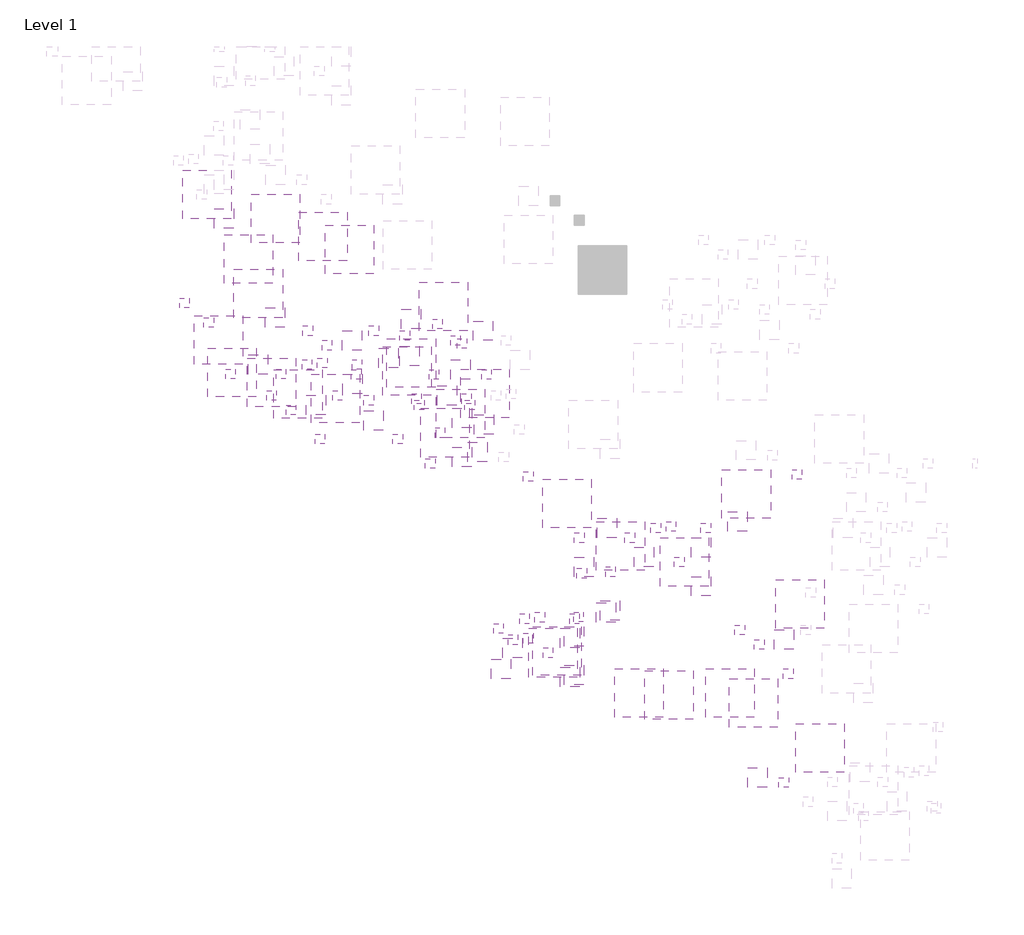
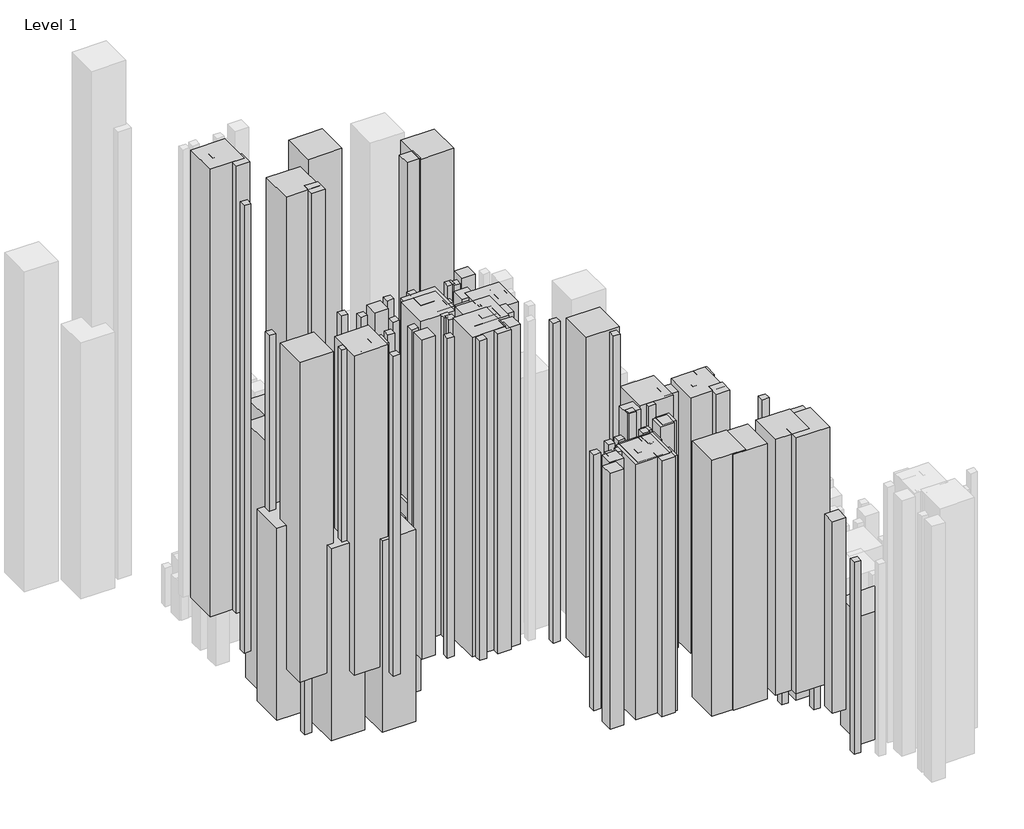
# One storey, part 13 of 16: 113 proxies.
"""IFC4 building model written with IfcOpenShell, lengths in millimetres."""

import ifcopenshell
import ifcopenshell.guid

model = None  # the IFC model being written
_history = None  # IfcOwnerHistory: only IFC2X3 demands one
_inside = {}  # id of a spatial element -> (the spatial element, [elements in it])
_under = {}  # id of a project, library or spatial element -> (it, [spatial elements below it])
_declared = {}  # id of a project -> (the project, [libraries it declares])
_typed = {}  # id of a type object -> (the type object, [elements of that type])
_made_of = {}  # id of a material, layer set ... -> (it, [elements and type objects made of it])


def new_model(schema):
    """Start an empty IFC model of exactly this schema.

    Asked for "IFC4X3", IfcOpenShell would pick the latest addendum, in which some entities
    have other attributes; the version numbers below select the first issue.
    IFC2X3 requires an IfcOwnerHistory on every rooted entity: one is made here for all.
    """
    global model, _history
    if schema == "IFC4X3":
        model = ifcopenshell.file(schema_version=(4, 3, 0, 0))
    else:
        model = ifcopenshell.file(schema=schema)
    _inside.clear()
    _under.clear()
    _declared.clear()
    _typed.clear()
    _made_of.clear()
    _history = None
    if model.schema == "IFC2X3":
        org = make("IfcOrganization", Name="unknown")
        user = make(
            "IfcPersonAndOrganization",
            ThePerson=make("IfcPerson", FamilyName="unknown"),
            TheOrganization=org,
        )
        app = make(
            "IfcApplication",
            ApplicationDeveloper=org,
            Version="unknown",
            ApplicationFullName="unknown",
            ApplicationIdentifier="unknown",
        )
        _history = make(
            "IfcOwnerHistory",
            OwningUser=user,
            OwningApplication=app,
            ChangeAction="ADDED",
            CreationDate=0,
        )
    return model


def make(cls, **values):
    """One entity of the class cls with the attributes given. An attribute that is None is left unset."""
    return model.create_entity(
        cls, **{name: value for name, value in values.items() if value is not None}
    )


def rooted(cls, **values):
    """An entity with a GlobalId (a new one), such as an element, a storey or a relation."""
    return make(cls, GlobalId=ifcopenshell.guid.new(), OwnerHistory=_history, **values)


def si_unit(unit_type, name, prefix=None):
    """IfcSIUnit, for example si_unit("LENGTHUNIT", "METRE", prefix="MILLI")."""
    return make("IfcSIUnit", UnitType=unit_type, Prefix=prefix, Name=name)


def assignment(units):
    """IfcUnitAssignment: the units of a project."""
    return None if units is None else make("IfcUnitAssignment", Units=units)


def point(xyz):
    """IfcCartesianPoint."""
    return None if xyz is None else make("IfcCartesianPoint", Coordinates=xyz)


def direction(xyz):
    """IfcDirection."""
    return None if xyz is None else make("IfcDirection", DirectionRatios=xyz)


def frame(location, z_axis=None, x_axis=None):
    """IfcAxis2Placement3D, a coordinate frame: its origin and axes. An axis left out is left unset."""
    return make(
        "IfcAxis2Placement3D",
        Location=point(location),
        Axis=direction(z_axis),
        RefDirection=direction(x_axis),
    )


def origin():
    """The frame at (0, 0, 0) with its axes left unset."""
    return frame((0.0, 0.0, 0.0))


def place(relative_to, where):
    """IfcLocalPlacement: puts the frame where relative to a parent placement (None: the world)."""
    return make(
        "IfcLocalPlacement", PlacementRelTo=relative_to, RelativePlacement=where
    )


def context(
    kind, dimensions, precision=None, world=None, true_north=None, identifier=None
):
    """IfcGeometricRepresentationContext, for example the 3D "Model" context."""
    return make(
        "IfcGeometricRepresentationContext",
        ContextIdentifier=identifier,
        ContextType=kind,
        CoordinateSpaceDimension=dimensions,
        Precision=precision,
        WorldCoordinateSystem=world,
        TrueNorth=true_north,
    )


def project(units=None, contexts=None):
    """IfcProject with its units and contexts."""
    return rooted(
        "IfcProject",
        Name="project",
        RepresentationContexts=contexts,
        UnitsInContext=assignment(units),
    )


def spatial(cls, under=None, at=None, **own):
    """A site, building, storey or space (cls), placed at a placement, below another one or the project."""
    s = rooted(cls, ObjectPlacement=at, **own)
    if under is not None:
        _under.setdefault(under.id(), (under, []))[1].append(s)
    return s


def polyline(points):
    """IfcPolyline through the points."""
    return make("IfcPolyline", Points=[point(p) for p in points])


def outline(outer, holes=None, kind="AREA"):
    """IfcArbitraryClosedProfileDef: a profile drawn as a closed curve; with holes, ...WithVoids."""
    if holes is None:
        return make("IfcArbitraryClosedProfileDef", ProfileType=kind, OuterCurve=outer)
    return make(
        "IfcArbitraryProfileDefWithVoids",
        ProfileType=kind,
        OuterCurve=outer,
        InnerCurves=holes,
    )


def extrude(swept, where, along, depth):
    """IfcExtrudedAreaSolid: the profile swept, set in the frame where, extruded along a direction by depth."""
    return make(
        "IfcExtrudedAreaSolid",
        SweptArea=swept,
        Position=where,
        ExtrudedDirection=direction(along),
        Depth=depth,
    )


def shape(context_of_items, identifier, shape_type, items):
    """IfcShapeRepresentation: the items that make up one representation, for example the "Body"."""
    return make(
        "IfcShapeRepresentation",
        ContextOfItems=context_of_items,
        RepresentationIdentifier=identifier,
        RepresentationType=shape_type,
        Items=items,
    )


def source(mapping_origin, context_of_items, identifier, shape_type, items):
    """IfcRepresentationMap: a shape defined once, which mapped items show again and again."""
    return make(
        "IfcRepresentationMap",
        MappingOrigin=mapping_origin,
        MappedRepresentation=shape(context_of_items, identifier, shape_type, items),
    )


def transform(
    local_origin,
    x_axis=None,
    y_axis=None,
    z_axis=None,
    scale=None,
    scale2=None,
    scale3=None,
    uniform=True,
):
    """IfcCartesianTransformationOperator3D, or its non-uniform kind. x_axis, y_axis, z_axis: its Axis1, 2, 3."""
    if uniform:
        return make(
            "IfcCartesianTransformationOperator3D",
            Axis1=direction(x_axis),
            Axis2=direction(y_axis),
            LocalOrigin=point(local_origin),
            Scale=scale,
            Axis3=direction(z_axis),
        )
    return make(
        "IfcCartesianTransformationOperator3DnonUniform",
        Axis1=direction(x_axis),
        Axis2=direction(y_axis),
        LocalOrigin=point(local_origin),
        Scale=scale,
        Axis3=direction(z_axis),
        Scale2=scale2,
        Scale3=scale3,
    )


def mapped(mapping_source, mapping_target):
    """IfcMappedItem: shows the shape of a source again, moved by a transform."""
    return make(
        "IfcMappedItem", MappingSource=mapping_source, MappingTarget=mapping_target
    )


def made_of(thing, what):
    """Note that an element or type object is made of a material, layer set ...; save() writes the relation."""
    if what is not None:
        _made_of.setdefault(what.id(), (what, []))[1].append(thing)
    return thing


def element(
    cls,
    number,
    at=None,
    inside=None,
    cuts=None,
    type_object=None,
    material=None,
    context=None,
    identifier="Body",
    shape_type=None,
    held_by="IfcProductDefinitionShape",
    body=None,
    shapes=None,
    **own,
):
    """One element of the class cls, such as IfcWall. Its Tag is "e" and its number.

    at: its placement. inside: the storey or other place that contains it. cuts: it is an
    opening in that element (IfcRelVoidsElement). A single representation is given by context,
    identifier, shape_type and body (its items); several are given by shapes. held_by: the class
    of the entity that holds the representations. save() writes the other relations.
    """
    e = rooted(cls, Tag="e%d" % number, ObjectPlacement=at, **own)
    if body is not None:
        shapes = [shape(context, identifier, shape_type, body)]
    if shapes is not None:
        e.Representation = make(held_by, Representations=shapes)
    if inside is not None:
        _inside.setdefault(inside.id(), (inside, []))[1].append(e)
    if cuts is not None:
        rooted(
            "IfcRelVoidsElement", RelatingBuildingElement=cuts, RelatedOpeningElement=e
        )
    if type_object is not None:
        _typed.setdefault(type_object.id(), (type_object, []))[1].append(e)
    return made_of(e, material)


def aggregate(whole, parts):
    """IfcRelAggregates: a whole, such as a stair, and the parts it consists of."""
    return rooted("IfcRelAggregates", RelatingObject=whole, RelatedObjects=parts)


def save(model, path):
    """Write the relations noted so far, then the file.

    IfcRelAggregates (storeys below a building ...), IfcRelContainedInSpatialStructure (elements
    in a storey), IfcRelDefinesByType, IfcRelAssociatesMaterial and IfcRelDeclares: one each for
    every whole, place, type object, material and project.
    """
    for whole, parts in _under.values():
        aggregate(whole, parts)
    for where, things in _inside.values():
        rooted(
            "IfcRelContainedInSpatialStructure",
            RelatedElements=things,
            RelatingStructure=where,
        )
    for kind, things in _typed.values():
        rooted("IfcRelDefinesByType", RelatedObjects=things, RelatingType=kind)
    for what, things in _made_of.values():
        rooted("IfcRelAssociatesMaterial", RelatedObjects=things, RelatingMaterial=what)
    for by, libraries in _declared.values():
        rooted("IfcRelDeclares", RelatingContext=by, RelatedDefinitions=libraries)
    model.write(path)


def parte1_ss_6ac5af0d(model_context):
    return source(origin(), model_context, "Body", "SweptSolid", [
        extrude(outline(polyline([(10000.0, 10000.0), (10000.0, 0.0), (0.0, 0.0), (0.0, 10000.0), (10000.0, 10000.0)])), frame((0.0, 0.0, 5000.0), z_axis=(0.0, 0.0, 1.0), x_axis=(1.0, 0.0, 0.0)), (0.0, 0.0, 1.0), 80000.0),
    ])


def parte1_ss_1c3691bc(model_context):
    return source(origin(), model_context, "Body", "SweptSolid", [
        extrude(outline(polyline([(2000.0, 2000.0), (2000.0, 0.0), (0.0, 0.0), (0.0, 2000.0), (2000.0, 2000.0)])), frame((0.0, 0.0, 5000.0), z_axis=(0.0, 0.0, 1.0), x_axis=(1.0, 0.0, 0.0)), (0.0, 0.0, 1.0), 60000.0),
    ])


def parte1_ss_49754411(model_context):
    return source(origin(), model_context, "Body", "SweptSolid", [
        extrude(outline(polyline([(4000.0, 4000.0), (4000.0, 0.0), (0.0, 0.0), (0.0, 4000.0), (4000.0, 4000.0)])), frame((0.0, 0.0, 5000.0), z_axis=(0.0, 0.0, 1.0), x_axis=(1.0, 0.0, 0.0)), (0.0, 0.0, 1.0), 60000.0),
    ])


def parte1_ss_753a72fa(model_context):
    return source(origin(), model_context, "Body", "SweptSolid", [
        extrude(outline(polyline([(10000.0, 10000.0), (10000.0, 0.0), (0.0, 0.0), (0.0, 10000.0), (10000.0, 10000.0)])), frame((0.0, 0.0, 5000.0), z_axis=(0.0, 0.0, 1.0), x_axis=(1.0, 0.0, 0.0)), (0.0, 0.0, 1.0), 60000.0),
    ])


def parte1_ss_73e4dad2(model_context):
    return source(origin(), model_context, "Body", "SweptSolid", [
        extrude(outline(polyline([(2000.0, 2000.0), (2000.0, 0.0), (0.0, 0.0), (0.0, 2000.0), (2000.0, 2000.0)])), frame((0.0, 0.0, 10000.0), z_axis=(0.0, 0.0, 1.0), x_axis=(1.0, 0.0, 0.0)), (0.0, 0.0, 1.0), 80000.0),
    ])


def parte1_ss_9628354e(model_context):
    return source(origin(), model_context, "Body", "SweptSolid", [
        extrude(outline(polyline([(2000.0, 2000.0), (2000.0, 0.0), (0.0, 0.0), (0.0, 2000.0), (2000.0, 2000.0)])), frame((0.0, 0.0, 10000.0), z_axis=(0.0, 0.0, 1.0), x_axis=(1.0, 0.0, 0.0)), (0.0, 0.0, 1.0), 60000.0),
    ])


def parte1_ss_3fc86b1d(model_context):
    return source(origin(), model_context, "Body", "SweptSolid", [
        extrude(outline(polyline([(4000.0, 4000.0), (4000.0, 0.0), (0.0, 0.0), (0.0, 4000.0), (4000.0, 4000.0)])), frame((0.0, 0.0, 10000.0), z_axis=(0.0, 0.0, 1.0), x_axis=(1.0, 0.0, 0.0)), (0.0, 0.0, 1.0), 80000.0),
    ])


def parte1_ss_53b2ac97(model_context):
    return source(origin(), model_context, "Body", "SweptSolid", [
        extrude(outline(polyline([(10000.0, 10000.0), (10000.0, 0.0), (0.0, 0.0), (0.0, 10000.0), (10000.0, 10000.0)])), frame((0.0, 0.0, 10000.0), z_axis=(0.0, 0.0, 1.0), x_axis=(1.0, 0.0, 0.0)), (0.0, 0.0, 1.0), 80000.0),
    ])


def parte1_ss_dea70e28(model_context):
    return source(origin(), model_context, "Body", "SweptSolid", [
        extrude(outline(polyline([(10000.0, 10000.0), (10000.0, 0.0), (0.0, 0.0), (0.0, 10000.0), (10000.0, 10000.0)])), frame((0.0, 0.0, 10000.0), z_axis=(0.0, 0.0, 1.0), x_axis=(1.0, 0.0, 0.0)), (0.0, 0.0, 1.0), 60000.0),
    ])


def parte1_ss_1f0d18f0(model_context):
    return source(origin(), model_context, "Body", "SweptSolid", [
        extrude(outline(polyline([(2000.0, 2000.0), (2000.0, 0.0), (0.0, 0.0), (0.0, 2000.0), (2000.0, 2000.0)])), frame((0.0, 0.0, 10000.0), z_axis=(0.0, 0.0, 1.0), x_axis=(1.0, 0.0, 0.0)), (0.0, 0.0, 1.0), 40000.0),
    ])


def parte1_ss_80fa0fae(model_context):
    return source(origin(), model_context, "Body", "SweptSolid", [
        extrude(outline(polyline([(10000.0, 10000.0), (10000.0, 0.0), (0.0, 0.0), (0.0, 10000.0), (10000.0, 10000.0)])), frame((0.0, 0.0, 10000.0), z_axis=(0.0, 0.0, 1.0), x_axis=(1.0, 0.0, 0.0)), (0.0, 0.0, 1.0), 40000.0),
    ])


def parte1_ss_1fca1654(model_context):
    return source(origin(), model_context, "Body", "SweptSolid", [
        extrude(outline(polyline([(2000.0, 2000.0), (2000.0, 0.0), (0.0, 0.0), (0.0, 2000.0), (2000.0, 2000.0)])), frame((0.0, 0.0, 25000.0), z_axis=(0.0, 0.0, 1.0), x_axis=(1.0, 0.0, 0.0)), (0.0, 0.0, 1.0), 80000.0),
    ])


def parte1_ss_6912c72c(model_context):
    return source(origin(), model_context, "Body", "SweptSolid", [
        extrude(outline(polyline([(4000.0, 4000.0), (4000.0, 0.0), (0.0, 0.0), (0.0, 4000.0), (4000.0, 4000.0)])), frame((0.0, 0.0, 25000.0), z_axis=(0.0, 0.0, 1.0), x_axis=(1.0, 0.0, 0.0)), (0.0, 0.0, 1.0), 80000.0),
    ])


def parte1_ss_4bb62a88(model_context):
    return source(origin(), model_context, "Body", "SweptSolid", [
        extrude(outline(polyline([(4000.0, 4000.0), (4000.0, 0.0), (0.0, 0.0), (0.0, 4000.0), (4000.0, 4000.0)])), frame((0.0, 0.0, 25000.0), z_axis=(0.0, 0.0, 1.0), x_axis=(1.0, 0.0, 0.0)), (0.0, 0.0, 1.0), 60000.0),
    ])


def parte1_ss_8711a79d(model_context):
    return source(origin(), model_context, "Body", "SweptSolid", [
        extrude(outline(polyline([(10000.0, 10000.0), (10000.0, 0.0), (0.0, 0.0), (0.0, 10000.0), (10000.0, 10000.0)])), frame((0.0, 0.0, 25000.0), z_axis=(0.0, 0.0, 1.0), x_axis=(1.0, 0.0, 0.0)), (0.0, 0.0, 1.0), 80000.0),
    ])


def parte1_ss_d79c1c34(model_context):
    return source(origin(), model_context, "Body", "SweptSolid", [
        extrude(outline(polyline([(2000.0, 2000.0), (2000.0, 0.0), (0.0, 0.0), (0.0, 2000.0), (2000.0, 2000.0)])), frame((0.0, 0.0, 25000.0), z_axis=(0.0, 0.0, 1.0), x_axis=(1.0, 0.0, 0.0)), (0.0, 0.0, 1.0), 40000.0),
    ])


def parte1_ss_7b2578bf(model_context):
    return source(origin(), model_context, "Body", "SweptSolid", [
        extrude(outline(polyline([(4000.0, 4000.0), (4000.0, 0.0), (0.0, 0.0), (0.0, 4000.0), (4000.0, 4000.0)])), frame((0.0, 0.0, 25000.0), z_axis=(0.0, 0.0, 1.0), x_axis=(1.0, 0.0, 0.0)), (0.0, 0.0, 1.0), 40000.0),
    ])


def parte1_ss_2dc1ccb3(model_context):
    return source(origin(), model_context, "Body", "SweptSolid", [
        extrude(outline(polyline([(10000.0, 10000.0), (10000.0, 0.0), (0.0, 0.0), (0.0, 10000.0), (10000.0, 10000.0)])), frame((0.0, 0.0, 25000.0), z_axis=(0.0, 0.0, 1.0), x_axis=(1.0, 0.0, 0.0)), (0.0, 0.0, 1.0), 40000.0),
    ])


def parte1_ss_d5b25b63(model_context):
    return source(origin(), model_context, "Body", "SweptSolid", [
        extrude(outline(polyline([(4000.0, 4000.0), (4000.0, 0.0), (0.0, 0.0), (0.0, 4000.0), (4000.0, 4000.0)])), frame((0.0, 0.0, 25000.0), z_axis=(0.0, 0.0, 1.0), x_axis=(1.0, 0.0, 0.0)), (0.0, 0.0, 1.0), 100000.0),
    ])


def parte1_ss_d48f2e0d(model_context):
    return source(origin(), model_context, "Body", "SweptSolid", [
        extrude(outline(polyline([(2000.0, 2000.0), (2000.0, 0.0), (0.0, 0.0), (0.0, 2000.0), (2000.0, 2000.0)])), frame((0.0, 0.0, 25000.0), z_axis=(0.0, 0.0, 1.0), x_axis=(1.0, 0.0, 0.0)), (0.0, 0.0, 1.0), 100000.0),
    ])


def parte1_ss_03b0882a(model_context):
    return source(origin(), model_context, "Body", "SweptSolid", [
        extrude(outline(polyline([(10000.0, 10000.0), (10000.0, 0.0), (0.0, 0.0), (0.0, 10000.0), (10000.0, 10000.0)])), frame((0.0, 0.0, 25000.0), z_axis=(0.0, 0.0, 1.0), x_axis=(1.0, 0.0, 0.0)), (0.0, 0.0, 1.0), 100000.0),
    ])


def parte1_ss_2e8e9647(model_context):
    return source(origin(), model_context, "Body", "SweptSolid", [
        extrude(outline(polyline([(10000.0, 10000.0), (10000.0, 0.0), (0.0, 0.0), (0.0, 10000.0), (10000.0, 10000.0)])), frame((0.0, 0.0, 25000.0), z_axis=(0.0, 0.0, 1.0), x_axis=(1.0, 0.0, 0.0)), (0.0, 0.0, 1.0), 140000.0),
    ])


def parte1_ss_476a8149(model_context):
    return source(origin(), model_context, "Body", "SweptSolid", [
        extrude(outline(polyline([(2000.0, 2000.0), (2000.0, 0.0), (0.0, 0.0), (0.0, 2000.0), (2000.0, 2000.0)])), frame((0.0, 0.0, 25000.0), z_axis=(0.0, 0.0, 1.0), x_axis=(1.0, 0.0, 0.0)), (0.0, 0.0, 1.0), 140000.0),
    ])


def parte1_ss_4fb613af(model_context):
    return source(origin(), model_context, "Body", "SweptSolid", [
        extrude(outline(polyline([(4000.0, 4000.0), (4000.0, 0.0), (0.0, 0.0), (0.0, 4000.0), (4000.0, 4000.0)])), frame((0.0, 0.0, 25000.0), z_axis=(0.0, 0.0, 1.0), x_axis=(1.0, 0.0, 0.0)), (0.0, 0.0, 1.0), 140000.0),
    ])


model = new_model("IFC4")

# Units and contexts
model_context = context("Model", 3, world=origin())
ifc_project = project(units=[si_unit("LENGTHUNIT", "METRE", prefix="MILLI")], contexts=[model_context])

# Site, building, storey
site = spatial("IfcSite", under=ifc_project)
building = spatial("IfcBuilding", under=site)
storey = spatial("IfcBuildingStorey", under=building, Name="Level 1", Elevation=0.0)

# Proxies
placement = place(None, origin())
parte1_ss_shape = parte1_ss_6ac5af0d(model_context)
element("IfcBuildingElementProxy", 1, Name="Parte1-SS", ObjectType="Parte1-SS", at=placement, inside=storey, context=model_context, shape_type="MappedRepresentation", body=[
    mapped(parte1_ss_shape, transform((138115.908435, 232201.2492341, 0.0), x_axis=(1.0, 0.0, 0.0), y_axis=(0.0, 1.0, 0.0), z_axis=(0.0, 0.0, 1.0))),
])
element("IfcBuildingElementProxy", 2, Name="Parte1-SS", ObjectType="Parte1-SS", at=placement, inside=storey, context=model_context, shape_type="MappedRepresentation", body=[
    mapped(parte1_ss_shape, transform((143687.9320215, 240506.0492341, 0.0), x_axis=(1.0, 0.0, 0.0), y_axis=(0.0, 1.0, 0.0), z_axis=(0.0, 0.0, 1.0))),
])
element("IfcBuildingElementProxy", 3, Name="Parte1-SS", ObjectType="Parte1-SS", at=placement, inside=storey, context=model_context, shape_type="MappedRepresentation", body=[
    mapped(parte1_ss_shape, transform((158916.9912514, 234201.2492341, 0.0), x_axis=(1.0, 0.0, 0.0), y_axis=(0.0, 1.0, 0.0), z_axis=(0.0, 0.0, 1.0))),
])
parte1_ss_2_shape = parte1_ss_1c3691bc(model_context)
element("IfcBuildingElementProxy", 4, Name="Parte1-SS", ObjectType="Parte1-SS", at=placement, inside=storey, context=model_context, shape_type="MappedRepresentation", body=[
    mapped(parte1_ss_2_shape, transform((157301.9887927, 214810.8492341, 0.0), x_axis=(1.0, 0.0, 0.0), y_axis=(0.0, 1.0, 0.0), z_axis=(0.0, 0.0, 1.0))),
])
element("IfcBuildingElementProxy", 5, Name="Parte1-SS", ObjectType="Parte1-SS", at=placement, inside=storey, context=model_context, shape_type="MappedRepresentation", body=[
    mapped(parte1_ss_2_shape, transform((138411.0718166, 212506.0492341, 0.0), x_axis=(1.0, 0.0, 0.0), y_axis=(0.0, 1.0, 0.0), z_axis=(0.0, 0.0, 1.0))),
])
element("IfcBuildingElementProxy", 6, Name="Parte1-SS", ObjectType="Parte1-SS", at=placement, inside=storey, context=model_context, shape_type="MappedRepresentation", body=[
    mapped(parte1_ss_2_shape, transform((154171.7861369, 214506.0492341, 0.0), x_axis=(1.0, 0.0, 0.0), y_axis=(0.0, 1.0, 0.0), z_axis=(0.0, 0.0, 1.0))),
])
element("IfcBuildingElementProxy", 7, Name="Parte1-SS", ObjectType="Parte1-SS", at=placement, inside=storey, context=model_context, shape_type="MappedRepresentation", body=[
    mapped(parte1_ss_2_shape, transform((148808.5367962, 212506.0492341, 0.0), x_axis=(1.0, 0.0, 0.0), y_axis=(0.0, 1.0, 0.0), z_axis=(0.0, 0.0, 1.0))),
])
element("IfcBuildingElementProxy", 8, Name="Parte1-SS", ObjectType="Parte1-SS", at=placement, inside=storey, context=model_context, shape_type="MappedRepresentation", body=[
    mapped(parte1_ss_2_shape, transform((164442.8793482, 214506.0492341, 0.0), x_axis=(1.0, 0.0, 0.0), y_axis=(0.0, 1.0, 0.0), z_axis=(0.0, 0.0, 1.0))),
])
parte1_ss_3_shape = parte1_ss_49754411(model_context)
element("IfcBuildingElementProxy", 9, Name="Parte1-SS", ObjectType="Parte1-SS", at=placement, inside=storey, context=model_context, shape_type="MappedRepresentation", body=[
    mapped(parte1_ss_3_shape, transform((169956.8906291, 214810.8492341, 0.0), x_axis=(1.0, 0.0, 0.0), y_axis=(0.0, 1.0, 0.0), z_axis=(0.0, 0.0, 1.0))),
])
element("IfcBuildingElementProxy", 10, Name="Parte1-SS", ObjectType="Parte1-SS", at=placement, inside=storey, context=model_context, shape_type="MappedRepresentation", body=[
    mapped(parte1_ss_3_shape, transform((143100.978653, 213506.0492341, 0.0), x_axis=(1.0, 0.0, 0.0), y_axis=(0.0, 1.0, 0.0), z_axis=(0.0, 0.0, 1.0))),
])
element("IfcBuildingElementProxy", 11, Name="Parte1-SS", ObjectType="Parte1-SS", at=placement, inside=storey, context=model_context, shape_type="MappedRepresentation", body=[
    mapped(parte1_ss_3_shape, transform((162516.3464785, 209506.0492341, 0.0), x_axis=(1.0, 0.0, 0.0), y_axis=(0.0, 1.0, 0.0), z_axis=(0.0, 0.0, 1.0))),
])
parte1_ss_4_shape = parte1_ss_753a72fa(model_context)
element("IfcBuildingElementProxy", 12, Name="Parte1-SS", ObjectType="Parte1-SS", at=placement, inside=storey, context=model_context, shape_type="MappedRepresentation", body=[
    mapped(parte1_ss_4_shape, transform((142864.2556159, 206810.8492341, 0.0), x_axis=(1.0, 0.0, 0.0), y_axis=(0.0, 1.0, 0.0), z_axis=(0.0, 0.0, 1.0))),
])
element("IfcBuildingElementProxy", 13, Name="Parte1-SS", ObjectType="Parte1-SS", at=placement, inside=storey, context=model_context, shape_type="MappedRepresentation", body=[
    mapped(parte1_ss_4_shape, transform((156040.3067009, 203506.0492341, 0.0), x_axis=(1.0, 0.0, 0.0), y_axis=(0.0, 1.0, 0.0), z_axis=(0.0, 0.0, 1.0))),
])
parte1_ss_5_shape = parte1_ss_73e4dad2(model_context)
element("IfcBuildingElementProxy", 14, Name="Parte1-SS", ObjectType="Parte1-SS", at=placement, inside=storey, context=model_context, shape_type="MappedRepresentation", body=[
    mapped(parte1_ss_5_shape, transform((247277.6598498, 156810.8492341, 0.0), x_axis=(1.0, 0.0, 0.0), y_axis=(0.0, 1.0, 0.0), z_axis=(0.0, 0.0, 1.0))),
])
element("IfcBuildingElementProxy", 15, Name="Parte1-SS", ObjectType="Parte1-SS", at=placement, inside=storey, context=model_context, shape_type="MappedRepresentation", body=[
    mapped(parte1_ss_5_shape, transform((253277.6598498, 150810.8492341, 0.0), x_axis=(1.0, 0.0, 0.0), y_axis=(0.0, 1.0, 0.0), z_axis=(0.0, 0.0, 1.0))),
])
parte1_ss_6_shape = parte1_ss_9628354e(model_context)
element("IfcBuildingElementProxy", 16, Name="Parte1-SS", ObjectType="Parte1-SS", at=placement, inside=storey, context=model_context, shape_type="MappedRepresentation", body=[
    mapped(parte1_ss_6_shape, transform((252318.1002576, 128420.4492341, 0.0), x_axis=(1.0, 0.0, 0.0), y_axis=(0.0, 1.0, 0.0), z_axis=(0.0, 0.0, 1.0))),
])
parte1_ss_7_shape = parte1_ss_3fc86b1d(model_context)
element("IfcBuildingElementProxy", 17, Name="Parte1-SS", ObjectType="Parte1-SS", at=placement, inside=storey, context=model_context, shape_type="MappedRepresentation", body=[
    mapped(parte1_ss_7_shape, transform((251418.1312291, 156810.8492341, 0.0), x_axis=(1.0, 0.0, 0.0), y_axis=(0.0, 1.0, 0.0), z_axis=(0.0, 0.0, 1.0))),
])
parte1_ss_8_shape = parte1_ss_53b2ac97(model_context)
element("IfcBuildingElementProxy", 18, Name="Parte1-SS", ObjectType="Parte1-SS", at=placement, inside=storey, context=model_context, shape_type="MappedRepresentation", body=[
    mapped(parte1_ss_8_shape, transform((251715.3930267, 161115.6492341, 0.0), x_axis=(1.0, 0.0, 0.0), y_axis=(0.0, 1.0, 0.0), z_axis=(0.0, 0.0, 1.0))),
])
parte1_ss_9_shape = parte1_ss_dea70e28(model_context)
element("IfcBuildingElementProxy", 19, Name="Parte1-SS", ObjectType="Parte1-SS", at=placement, inside=storey, context=model_context, shape_type="MappedRepresentation", body=[
    mapped(parte1_ss_9_shape, transform((131904.6960237, 215506.0492341, 0.0), x_axis=(1.0, 0.0, 0.0), y_axis=(0.0, 1.0, 0.0), z_axis=(0.0, 0.0, 1.0))),
])
parte1_ss_10_shape = parte1_ss_1f0d18f0(model_context)
element("IfcBuildingElementProxy", 20, Name="Parte1-SS", ObjectType="Parte1-SS", at=placement, inside=storey, context=model_context, shape_type="MappedRepresentation", body=[
    mapped(parte1_ss_10_shape, transform((255045.7896462, 191810.8492341, 0.0), x_axis=(1.0, 0.0, 0.0), y_axis=(0.0, 1.0, 0.0), z_axis=(0.0, 0.0, 1.0))),
])
parte1_ss_11_shape = parte1_ss_80fa0fae(model_context)
element("IfcBuildingElementProxy", 21, Name="Parte1-SS", ObjectType="Parte1-SS", at=placement, inside=storey, context=model_context, shape_type="MappedRepresentation", body=[
    mapped(parte1_ss_11_shape, transform((255837.1156993, 131506.0492341, 0.0), x_axis=(1.0, 0.0, 0.0), y_axis=(0.0, 1.0, 0.0), z_axis=(0.0, 0.0, 1.0))),
])
parte1_ss_12_shape = parte1_ss_1fca1654(model_context)
element("IfcBuildingElementProxy", 22, Name="Parte1-SS", ObjectType="Parte1-SS", at=placement, inside=storey, context=model_context, shape_type="MappedRepresentation", body=[
    mapped(parte1_ss_12_shape, transform((199701.8200261, 158115.6492341, 0.0), x_axis=(1.0, 0.0, 0.0), y_axis=(0.0, 1.0, 0.0), z_axis=(0.0, 0.0, 1.0))),
])
element("IfcBuildingElementProxy", 23, Name="Parte1-SS", ObjectType="Parte1-SS", at=placement, inside=storey, context=model_context, shape_type="MappedRepresentation", body=[
    mapped(parte1_ss_12_shape, transform((196571.6173702, 157810.8492341, 0.0), x_axis=(1.0, 0.0, 0.0), y_axis=(0.0, 1.0, 0.0), z_axis=(0.0, 0.0, 1.0))),
])
element("IfcBuildingElementProxy", 24, Name="Parte1-SS", ObjectType="Parte1-SS", at=placement, inside=storey, context=model_context, shape_type="MappedRepresentation", body=[
    mapped(parte1_ss_12_shape, transform((202105.9320627, 162420.4492341, 0.0), x_axis=(1.0, 0.0, 0.0), y_axis=(0.0, 1.0, 0.0), z_axis=(0.0, 0.0, 1.0))),
])
element("IfcBuildingElementProxy", 25, Name="Parte1-SS", ObjectType="Parte1-SS", at=placement, inside=storey, context=model_context, shape_type="MappedRepresentation", body=[
    mapped(parte1_ss_12_shape, transform((198975.7294069, 162115.6492341, 0.0), x_axis=(1.0, 0.0, 0.0), y_axis=(0.0, 1.0, 0.0), z_axis=(0.0, 0.0, 1.0))),
])
element("IfcBuildingElementProxy", 26, Name="Parte1-SS", ObjectType="Parte1-SS", at=placement, inside=storey, context=model_context, shape_type="MappedRepresentation", body=[
    mapped(parte1_ss_12_shape, transform((193612.4800661, 160115.6492341, 0.0), x_axis=(1.0, 0.0, 0.0), y_axis=(0.0, 1.0, 0.0), z_axis=(0.0, 0.0, 1.0))),
])
element("IfcBuildingElementProxy", 27, Name="Parte1-SS", ObjectType="Parte1-SS", at=placement, inside=storey, context=model_context, shape_type="MappedRepresentation", body=[
    mapped(parte1_ss_12_shape, transform((203787.1105848, 155115.6492341, 0.0), x_axis=(1.0, 0.0, 0.0), y_axis=(0.0, 1.0, 0.0), z_axis=(0.0, 0.0, 1.0))),
])
element("IfcBuildingElementProxy", 28, Name="Parte1-SS", ObjectType="Parte1-SS", at=placement, inside=storey, context=model_context, shape_type="MappedRepresentation", body=[
    mapped(parte1_ss_12_shape, transform((209246.8226182, 162115.6492341, 0.0), x_axis=(1.0, 0.0, 0.0), y_axis=(0.0, 1.0, 0.0), z_axis=(0.0, 0.0, 1.0))),
])
element("IfcBuildingElementProxy", 29, Name="Parte1-SS", ObjectType="Parte1-SS", at=placement, inside=storey, context=model_context, shape_type="MappedRepresentation", body=[
    mapped(parte1_ss_12_shape, transform((243277.6598498, 159810.8492341, 0.0), x_axis=(1.0, 0.0, 0.0), y_axis=(0.0, 1.0, 0.0), z_axis=(0.0, 0.0, 1.0))),
])
element("IfcBuildingElementProxy", 30, Name="Parte1-SS", ObjectType="Parte1-SS", at=placement, inside=storey, context=model_context, shape_type="MappedRepresentation", body=[
    mapped(parte1_ss_12_shape, transform((210718.1235477, 171506.0492341, 0.0), x_axis=(1.0, 0.0, 0.0), y_axis=(0.0, 1.0, 0.0), z_axis=(0.0, 0.0, 1.0))),
])
element("IfcBuildingElementProxy", 31, Name="Parte1-SS", ObjectType="Parte1-SS", at=placement, inside=storey, context=model_context, shape_type="MappedRepresentation", body=[
    mapped(parte1_ss_12_shape, transform((210070.4990238, 162506.0492341, 0.0), x_axis=(1.0, 0.0, 0.0), y_axis=(0.0, 1.0, 0.0), z_axis=(0.0, 0.0, 1.0))),
])
element("IfcBuildingElementProxy", 32, Name="Parte1-SS", ObjectType="Parte1-SS", at=placement, inside=storey, context=model_context, shape_type="MappedRepresentation", body=[
    mapped(parte1_ss_12_shape, transform((216643.467501, 171810.8492341, 0.0), x_axis=(1.0, 0.0, 0.0), y_axis=(0.0, 1.0, 0.0), z_axis=(0.0, 0.0, 1.0))),
])
element("IfcBuildingElementProxy", 33, Name="Parte1-SS", ObjectType="Parte1-SS", at=placement, inside=storey, context=model_context, shape_type="MappedRepresentation", body=[
    mapped(parte1_ss_12_shape, transform((230799.4058125, 173810.8492341, 0.0), x_axis=(1.0, 0.0, 0.0), y_axis=(0.0, 1.0, 0.0), z_axis=(0.0, 0.0, 1.0))),
])
parte1_ss_13_shape = parte1_ss_6912c72c(model_context)
element("IfcBuildingElementProxy", 34, Name="Parte1-SS", ObjectType="Parte1-SS", at=placement, inside=storey, context=model_context, shape_type="MappedRepresentation", body=[
    mapped(parte1_ss_13_shape, transform((193111.502469, 150810.8492341, 0.0), x_axis=(1.0, 0.0, 0.0), y_axis=(0.0, 1.0, 0.0), z_axis=(0.0, 0.0, 1.0))),
])
element("IfcBuildingElementProxy", 35, Name="Parte1-SS", ObjectType="Parte1-SS", at=placement, inside=storey, context=model_context, shape_type="MappedRepresentation", body=[
    mapped(parte1_ss_13_shape, transform((214760.833899, 162420.4492341, 0.0), x_axis=(1.0, 0.0, 0.0), y_axis=(0.0, 1.0, 0.0), z_axis=(0.0, 0.0, 1.0))),
])
element("IfcBuildingElementProxy", 36, Name="Parte1-SS", ObjectType="Parte1-SS", at=placement, inside=storey, context=model_context, shape_type="MappedRepresentation", body=[
    mapped(parte1_ss_13_shape, transform((195515.6145057, 155115.6492341, 0.0), x_axis=(1.0, 0.0, 0.0), y_axis=(0.0, 1.0, 0.0), z_axis=(0.0, 0.0, 1.0))),
])
element("IfcBuildingElementProxy", 37, Name="Parte1-SS", ObjectType="Parte1-SS", at=placement, inside=storey, context=model_context, shape_type="MappedRepresentation", body=[
    mapped(parte1_ss_13_shape, transform((207320.2897485, 149115.6492341, 0.0), x_axis=(1.0, 0.0, 0.0), y_axis=(0.0, 1.0, 0.0), z_axis=(0.0, 0.0, 1.0))),
])
element("IfcBuildingElementProxy", 38, Name="Parte1-SS", ObjectType="Parte1-SS", at=placement, inside=storey, context=model_context, shape_type="MappedRepresentation", body=[
    mapped(parte1_ss_13_shape, transform((207320.2897485, 157115.6492341, 0.0), x_axis=(1.0, 0.0, 0.0), y_axis=(0.0, 1.0, 0.0), z_axis=(0.0, 0.0, 1.0))),
])
element("IfcBuildingElementProxy", 39, Name="Parte1-SS", ObjectType="Parte1-SS", at=placement, inside=storey, context=model_context, shape_type="MappedRepresentation", body=[
    mapped(parte1_ss_13_shape, transform((215584.5103046, 162810.8492341, 0.0), x_axis=(1.0, 0.0, 0.0), y_axis=(0.0, 1.0, 0.0), z_axis=(0.0, 0.0, 1.0))),
])
element("IfcBuildingElementProxy", 40, Name="Parte1-SS", ObjectType="Parte1-SS", at=placement, inside=storey, context=model_context, shape_type="MappedRepresentation", body=[
    mapped(parte1_ss_13_shape, transform((208143.9661541, 149506.0492341, 0.0), x_axis=(1.0, 0.0, 0.0), y_axis=(0.0, 1.0, 0.0), z_axis=(0.0, 0.0, 1.0))),
])
element("IfcBuildingElementProxy", 41, Name="Parte1-SS", ObjectType="Parte1-SS", at=placement, inside=storey, context=model_context, shape_type="MappedRepresentation", body=[
    mapped(parte1_ss_13_shape, transform((208143.9661541, 157506.0492341, 0.0), x_axis=(1.0, 0.0, 0.0), y_axis=(0.0, 1.0, 0.0), z_axis=(0.0, 0.0, 1.0))),
])
element("IfcBuildingElementProxy", 42, Name="Parte1-SS", ObjectType="Parte1-SS", at=placement, inside=storey, context=model_context, shape_type="MappedRepresentation", body=[
    mapped(parte1_ss_13_shape, transform((210227.3103143, 171810.8492341, 0.0), x_axis=(1.0, 0.0, 0.0), y_axis=(0.0, 1.0, 0.0), z_axis=(0.0, 0.0, 1.0))),
])
element("IfcBuildingElementProxy", 43, Name="Parte1-SS", ObjectType="Parte1-SS", at=placement, inside=storey, context=model_context, shape_type="MappedRepresentation", body=[
    mapped(parte1_ss_13_shape, transform((222527.9097333, 173810.8492341, 0.0), x_axis=(1.0, 0.0, 0.0), y_axis=(0.0, 1.0, 0.0), z_axis=(0.0, 0.0, 1.0))),
])
element("IfcBuildingElementProxy", 44, Name="Parte1-SS", ObjectType="Parte1-SS", at=placement, inside=storey, context=model_context, shape_type="MappedRepresentation", body=[
    mapped(parte1_ss_13_shape, transform((234332.5849762, 167810.8492341, 0.0), x_axis=(1.0, 0.0, 0.0), y_axis=(0.0, 1.0, 0.0), z_axis=(0.0, 0.0, 1.0))),
])
element("IfcBuildingElementProxy", 45, Name="Parte1-SS", ObjectType="Parte1-SS", at=placement, inside=storey, context=model_context, shape_type="MappedRepresentation", body=[
    mapped(parte1_ss_13_shape, transform((234332.5849762, 175810.8492341, 0.0), x_axis=(1.0, 0.0, 0.0), y_axis=(0.0, 1.0, 0.0), z_axis=(0.0, 0.0, 1.0))),
])
parte1_ss_14_shape = parte1_ss_4bb62a88(model_context)
element("IfcBuildingElementProxy", 46, Name="Parte1-SS", ObjectType="Parte1-SS", at=placement, inside=storey, context=model_context, shape_type="MappedRepresentation", body=[
    mapped(parte1_ss_14_shape, transform((245901.9430709, 128420.4492341, 0.0), x_axis=(1.0, 0.0, 0.0), y_axis=(0.0, 1.0, 0.0), z_axis=(0.0, 0.0, 1.0))),
])
parte1_ss_15_shape = parte1_ss_8711a79d(model_context)
element("IfcBuildingElementProxy", 47, Name="Parte1-SS", ObjectType="Parte1-SS", at=placement, inside=storey, context=model_context, shape_type="MappedRepresentation", body=[
    mapped(parte1_ss_15_shape, transform((200844.2499709, 151115.6492341, 0.0), x_axis=(1.0, 0.0, 0.0), y_axis=(0.0, 1.0, 0.0), z_axis=(0.0, 0.0, 1.0))),
])
element("IfcBuildingElementProxy", 48, Name="Parte1-SS", ObjectType="Parte1-SS", at=placement, inside=storey, context=model_context, shape_type="MappedRepresentation", body=[
    mapped(parte1_ss_15_shape, transform((242143.6419495, 140725.2492341, 0.0), x_axis=(1.0, 0.0, 0.0), y_axis=(0.0, 1.0, 0.0), z_axis=(0.0, 0.0, 1.0))),
])
element("IfcBuildingElementProxy", 49, Name="Parte1-SS", ObjectType="Parte1-SS", at=placement, inside=storey, context=model_context, shape_type="MappedRepresentation", body=[
    mapped(parte1_ss_15_shape, transform((224703.097799, 142420.4492341, 0.0), x_axis=(1.0, 0.0, 0.0), y_axis=(0.0, 1.0, 0.0), z_axis=(0.0, 0.0, 1.0))),
])
element("IfcBuildingElementProxy", 50, Name="Parte1-SS", ObjectType="Parte1-SS", at=placement, inside=storey, context=model_context, shape_type="MappedRepresentation", body=[
    mapped(parte1_ss_15_shape, transform((237277.6598498, 142810.8492341, 0.0), x_axis=(1.0, 0.0, 0.0), y_axis=(0.0, 1.0, 0.0), z_axis=(0.0, 0.0, 1.0))),
])
element("IfcBuildingElementProxy", 51, Name="Parte1-SS", ObjectType="Parte1-SS", at=placement, inside=storey, context=model_context, shape_type="MappedRepresentation", body=[
    mapped(parte1_ss_15_shape, transform((201667.9263765, 151506.0492341, 0.0), x_axis=(1.0, 0.0, 0.0), y_axis=(0.0, 1.0, 0.0), z_axis=(0.0, 0.0, 1.0))),
])
element("IfcBuildingElementProxy", 52, Name="Parte1-SS", ObjectType="Parte1-SS", at=placement, inside=storey, context=model_context, shape_type="MappedRepresentation", body=[
    mapped(parte1_ss_15_shape, transform((214680.4941135, 173115.6492341, 0.0), x_axis=(1.0, 0.0, 0.0), y_axis=(0.0, 1.0, 0.0), z_axis=(0.0, 0.0, 1.0))),
])
element("IfcBuildingElementProxy", 53, Name="Parte1-SS", ObjectType="Parte1-SS", at=placement, inside=storey, context=model_context, shape_type="MappedRepresentation", body=[
    mapped(parte1_ss_15_shape, transform((227856.5451985, 169810.8492341, 0.0), x_axis=(1.0, 0.0, 0.0), y_axis=(0.0, 1.0, 0.0), z_axis=(0.0, 0.0, 1.0))),
])
element("IfcBuildingElementProxy", 54, Name="Parte1-SS", ObjectType="Parte1-SS", at=placement, inside=storey, context=model_context, shape_type="MappedRepresentation", body=[
    mapped(parte1_ss_15_shape, transform((218529.5851783, 142810.8492341, 0.0), x_axis=(1.0, 0.0, 0.0), y_axis=(0.0, 1.0, 0.0), z_axis=(0.0, 0.0, 1.0))),
])
parte1_ss_16_shape = parte1_ss_d79c1c34(model_context)
element("IfcBuildingElementProxy", 55, Name="Parte1-SS", ObjectType="Parte1-SS", at=placement, inside=storey, context=model_context, shape_type="MappedRepresentation", body=[
    mapped(parte1_ss_16_shape, transform((229118.2272904, 181115.6492341, 0.0), x_axis=(1.0, 0.0, 0.0), y_axis=(0.0, 1.0, 0.0), z_axis=(0.0, 0.0, 1.0))),
])
element("IfcBuildingElementProxy", 56, Name="Parte1-SS", ObjectType="Parte1-SS", at=placement, inside=storey, context=model_context, shape_type="MappedRepresentation", body=[
    mapped(parte1_ss_16_shape, transform((225988.0246345, 180810.8492341, 0.0), x_axis=(1.0, 0.0, 0.0), y_axis=(0.0, 1.0, 0.0), z_axis=(0.0, 0.0, 1.0))),
])
element("IfcBuildingElementProxy", 57, Name="Parte1-SS", ObjectType="Parte1-SS", at=placement, inside=storey, context=model_context, shape_type="MappedRepresentation", body=[
    mapped(parte1_ss_16_shape, transform((220624.7752938, 178810.8492341, 0.0), x_axis=(1.0, 0.0, 0.0), y_axis=(0.0, 1.0, 0.0), z_axis=(0.0, 0.0, 1.0))),
])
element("IfcBuildingElementProxy", 58, Name="Parte1-SS", ObjectType="Parte1-SS", at=placement, inside=storey, context=model_context, shape_type="MappedRepresentation", body=[
    mapped(parte1_ss_16_shape, transform((236259.1178459, 180810.8492341, 0.0), x_axis=(1.0, 0.0, 0.0), y_axis=(0.0, 1.0, 0.0), z_axis=(0.0, 0.0, 1.0))),
])
parte1_ss_17_shape = parte1_ss_7b2578bf(model_context)
element("IfcBuildingElementProxy", 59, Name="Parte1-SS", ObjectType="Parte1-SS", at=placement, inside=storey, context=model_context, shape_type="MappedRepresentation", body=[
    mapped(parte1_ss_17_shape, transform((241773.1291267, 181115.6492341, 0.0), x_axis=(1.0, 0.0, 0.0), y_axis=(0.0, 1.0, 0.0), z_axis=(0.0, 0.0, 1.0))),
])
element("IfcBuildingElementProxy", 60, Name="Parte1-SS", ObjectType="Parte1-SS", at=placement, inside=storey, context=model_context, shape_type="MappedRepresentation", body=[
    mapped(parte1_ss_17_shape, transform((214917.2171506, 179810.8492341, 0.0), x_axis=(1.0, 0.0, 0.0), y_axis=(0.0, 1.0, 0.0), z_axis=(0.0, 0.0, 1.0))),
])
parte1_ss_18_shape = parte1_ss_2dc1ccb3(model_context)
element("IfcBuildingElementProxy", 61, Name="Parte1-SS", ObjectType="Parte1-SS", at=placement, inside=storey, context=model_context, shape_type="MappedRepresentation", body=[
    mapped(parte1_ss_18_shape, transform((240608.0564694, 183810.8492341, 0.0), x_axis=(1.0, 0.0, 0.0), y_axis=(0.0, 1.0, 0.0), z_axis=(0.0, 0.0, 1.0))),
])
parte1_ss_19_shape = parte1_ss_d5b25b63(model_context)
element("IfcBuildingElementProxy", 62, Name="Parte1-SS", ObjectType="Parte1-SS", at=placement, inside=storey, context=model_context, shape_type="MappedRepresentation", body=[
    mapped(parte1_ss_19_shape, transform((174304.527257, 215220.4492341, 0.0), x_axis=(1.0, 0.0, 0.0), y_axis=(0.0, 1.0, 0.0), z_axis=(0.0, 0.0, 1.0))),
])
element("IfcBuildingElementProxy", 63, Name="Parte1-SS", ObjectType="Parte1-SS", at=placement, inside=storey, context=model_context, shape_type="MappedRepresentation", body=[
    mapped(parte1_ss_19_shape, transform((162444.9986363, 218420.4492341, 0.0), x_axis=(1.0, 0.0, 0.0), y_axis=(0.0, 1.0, 0.0), z_axis=(0.0, 0.0, 1.0))),
])
element("IfcBuildingElementProxy", 64, Name="Parte1-SS", ObjectType="Parte1-SS", at=placement, inside=storey, context=model_context, shape_type="MappedRepresentation", body=[
    mapped(parte1_ss_19_shape, transform((184732.4317588, 212420.4492341, 0.0), x_axis=(1.0, 0.0, 0.0), y_axis=(0.0, 1.0, 0.0), z_axis=(0.0, 0.0, 1.0))),
])
element("IfcBuildingElementProxy", 65, Name="Parte1-SS", ObjectType="Parte1-SS", at=placement, inside=storey, context=model_context, shape_type="MappedRepresentation", body=[
    mapped(parte1_ss_19_shape, transform((189422.3385952, 220420.4492341, 0.0), x_axis=(1.0, 0.0, 0.0), y_axis=(0.0, 1.0, 0.0), z_axis=(0.0, 0.0, 1.0))),
])
element("IfcBuildingElementProxy", 66, Name="Parte1-SS", ObjectType="Parte1-SS", at=placement, inside=storey, context=model_context, shape_type="MappedRepresentation", body=[
    mapped(parte1_ss_19_shape, transform((185053.1996353, 194420.4492341, 0.0), x_axis=(1.0, 0.0, 0.0), y_axis=(0.0, 1.0, 0.0), z_axis=(0.0, 0.0, 1.0))),
])
element("IfcBuildingElementProxy", 67, Name="Parte1-SS", ObjectType="Parte1-SS", at=placement, inside=storey, context=model_context, shape_type="MappedRepresentation", body=[
    mapped(parte1_ss_19_shape, transform((185053.1996353, 202420.4492341, 0.0), x_axis=(1.0, 0.0, 0.0), y_axis=(0.0, 1.0, 0.0), z_axis=(0.0, 0.0, 1.0))),
])
element("IfcBuildingElementProxy", 68, Name="Parte1-SS", ObjectType="Parte1-SS", at=placement, inside=storey, context=model_context, shape_type="MappedRepresentation", body=[
    mapped(parte1_ss_19_shape, transform((166863.9831065, 201915.6492341, 0.0), x_axis=(1.0, 0.0, 0.0), y_axis=(0.0, 1.0, 0.0), z_axis=(0.0, 0.0, 1.0))),
])
element("IfcBuildingElementProxy", 69, Name="Parte1-SS", ObjectType="Parte1-SS", at=placement, inside=storey, context=model_context, shape_type="MappedRepresentation", body=[
    mapped(parte1_ss_19_shape, transform((155004.4544858, 205115.6492341, 0.0), x_axis=(1.0, 0.0, 0.0), y_axis=(0.0, 1.0, 0.0), z_axis=(0.0, 0.0, 1.0))),
])
element("IfcBuildingElementProxy", 70, Name="Parte1-SS", ObjectType="Parte1-SS", at=placement, inside=storey, context=model_context, shape_type="MappedRepresentation", body=[
    mapped(parte1_ss_19_shape, transform((181981.7944447, 207115.6492341, 0.0), x_axis=(1.0, 0.0, 0.0), y_axis=(0.0, 1.0, 0.0), z_axis=(0.0, 0.0, 1.0))),
])
element("IfcBuildingElementProxy", 71, Name="Parte1-SS", ObjectType="Parte1-SS", at=placement, inside=storey, context=model_context, shape_type="MappedRepresentation", body=[
    mapped(parte1_ss_19_shape, transform((189592.4870274, 201115.6492341, 0.0), x_axis=(1.0, 0.0, 0.0), y_axis=(0.0, 1.0, 0.0), z_axis=(0.0, 0.0, 1.0))),
])
element("IfcBuildingElementProxy", 72, Name="Parte1-SS", ObjectType="Parte1-SS", at=placement, inside=storey, context=model_context, shape_type="MappedRepresentation", body=[
    mapped(parte1_ss_19_shape, transform((188251.4472005, 195420.4492341, 0.0), x_axis=(1.0, 0.0, 0.0), y_axis=(0.0, 1.0, 0.0), z_axis=(0.0, 0.0, 1.0))),
])
parte1_ss_20_shape = parte1_ss_d48f2e0d(model_context)
element("IfcBuildingElementProxy", 73, Name="Parte1-SS", ObjectType="Parte1-SS", at=placement, inside=storey, context=model_context, shape_type="MappedRepresentation", body=[
    mapped(parte1_ss_20_shape, transform((154304.527257, 221420.4492341, 0.0), x_axis=(1.0, 0.0, 0.0), y_axis=(0.0, 1.0, 0.0), z_axis=(0.0, 0.0, 1.0))),
])
element("IfcBuildingElementProxy", 74, Name="Parte1-SS", ObjectType="Parte1-SS", at=placement, inside=storey, context=model_context, shape_type="MappedRepresentation", body=[
    mapped(parte1_ss_20_shape, transform((158304.527257, 218420.4492341, 0.0), x_axis=(1.0, 0.0, 0.0), y_axis=(0.0, 1.0, 0.0), z_axis=(0.0, 0.0, 1.0))),
])
element("IfcBuildingElementProxy", 75, Name="Parte1-SS", ObjectType="Parte1-SS", at=placement, inside=storey, context=model_context, shape_type="MappedRepresentation", body=[
    mapped(parte1_ss_20_shape, transform((164304.527257, 212420.4492341, 0.0), x_axis=(1.0, 0.0, 0.0), y_axis=(0.0, 1.0, 0.0), z_axis=(0.0, 0.0, 1.0))),
])
element("IfcBuildingElementProxy", 76, Name="Parte1-SS", ObjectType="Parte1-SS", at=placement, inside=storey, context=model_context, shape_type="MappedRepresentation", body=[
    mapped(parte1_ss_20_shape, transform((174304.527257, 220420.4492341, 0.0), x_axis=(1.0, 0.0, 0.0), y_axis=(0.0, 1.0, 0.0), z_axis=(0.0, 0.0, 1.0))),
])
element("IfcBuildingElementProxy", 77, Name="Parte1-SS", ObjectType="Parte1-SS", at=placement, inside=storey, context=model_context, shape_type="MappedRepresentation", body=[
    mapped(parte1_ss_20_shape, transform((167896.6164544, 221420.4492341, 0.0), x_axis=(1.0, 0.0, 0.0), y_axis=(0.0, 1.0, 0.0), z_axis=(0.0, 0.0, 1.0))),
])
element("IfcBuildingElementProxy", 78, Name="Parte1-SS", ObjectType="Parte1-SS", at=placement, inside=storey, context=model_context, shape_type="MappedRepresentation", body=[
    mapped(parte1_ss_20_shape, transform((180304.527257, 212420.4492341, 0.0), x_axis=(1.0, 0.0, 0.0), y_axis=(0.0, 1.0, 0.0), z_axis=(0.0, 0.0, 1.0))),
])
element("IfcBuildingElementProxy", 79, Name="Parte1-SS", ObjectType="Parte1-SS", at=placement, inside=storey, context=model_context, shape_type="MappedRepresentation", body=[
    mapped(parte1_ss_20_shape, transform((184732.4317588, 219420.4492341, 0.0), x_axis=(1.0, 0.0, 0.0), y_axis=(0.0, 1.0, 0.0), z_axis=(0.0, 0.0, 1.0))),
])
element("IfcBuildingElementProxy", 80, Name="Parte1-SS", ObjectType="Parte1-SS", at=placement, inside=storey, context=model_context, shape_type="MappedRepresentation", body=[
    mapped(parte1_ss_20_shape, transform((191148.5889456, 212420.4492341, 0.0), x_axis=(1.0, 0.0, 0.0), y_axis=(0.0, 1.0, 0.0), z_axis=(0.0, 0.0, 1.0))),
])
element("IfcBuildingElementProxy", 81, Name="Parte1-SS", ObjectType="Parte1-SS", at=placement, inside=storey, context=model_context, shape_type="MappedRepresentation", body=[
    mapped(parte1_ss_20_shape, transform((176708.6392937, 207420.4492341, 0.0), x_axis=(1.0, 0.0, 0.0), y_axis=(0.0, 1.0, 0.0), z_axis=(0.0, 0.0, 1.0))),
])
element("IfcBuildingElementProxy", 82, Name="Parte1-SS", ObjectType="Parte1-SS", at=placement, inside=storey, context=model_context, shape_type="MappedRepresentation", body=[
    mapped(parte1_ss_20_shape, transform((181520.0204716, 200420.4492341, 0.0), x_axis=(1.0, 0.0, 0.0), y_axis=(0.0, 1.0, 0.0), z_axis=(0.0, 0.0, 1.0))),
])
element("IfcBuildingElementProxy", 83, Name="Parte1-SS", ObjectType="Parte1-SS", at=placement, inside=storey, context=model_context, shape_type="MappedRepresentation", body=[
    mapped(parte1_ss_20_shape, transform((186979.732505, 207420.4492341, 0.0), x_axis=(1.0, 0.0, 0.0), y_axis=(0.0, 1.0, 0.0), z_axis=(0.0, 0.0, 1.0))),
])
element("IfcBuildingElementProxy", 84, Name="Parte1-SS", ObjectType="Parte1-SS", at=placement, inside=storey, context=model_context, shape_type="MappedRepresentation", body=[
    mapped(parte1_ss_20_shape, transform((146863.9831065, 208115.6492341, 0.0), x_axis=(1.0, 0.0, 0.0), y_axis=(0.0, 1.0, 0.0), z_axis=(0.0, 0.0, 1.0))),
])
element("IfcBuildingElementProxy", 85, Name="Parte1-SS", ObjectType="Parte1-SS", at=placement, inside=storey, context=model_context, shape_type="MappedRepresentation", body=[
    mapped(parte1_ss_20_shape, transform((150863.9831065, 205115.6492341, 0.0), x_axis=(1.0, 0.0, 0.0), y_axis=(0.0, 1.0, 0.0), z_axis=(0.0, 0.0, 1.0))),
])
element("IfcBuildingElementProxy", 86, Name="Parte1-SS", ObjectType="Parte1-SS", at=placement, inside=storey, context=model_context, shape_type="MappedRepresentation", body=[
    mapped(parte1_ss_20_shape, transform((156863.9831065, 199115.6492341, 0.0), x_axis=(1.0, 0.0, 0.0), y_axis=(0.0, 1.0, 0.0), z_axis=(0.0, 0.0, 1.0))),
])
element("IfcBuildingElementProxy", 87, Name="Parte1-SS", ObjectType="Parte1-SS", at=placement, inside=storey, context=model_context, shape_type="MappedRepresentation", body=[
    mapped(parte1_ss_20_shape, transform((166863.9831065, 207115.6492341, 0.0), x_axis=(1.0, 0.0, 0.0), y_axis=(0.0, 1.0, 0.0), z_axis=(0.0, 0.0, 1.0))),
])
element("IfcBuildingElementProxy", 88, Name="Parte1-SS", ObjectType="Parte1-SS", at=placement, inside=storey, context=model_context, shape_type="MappedRepresentation", body=[
    mapped(parte1_ss_20_shape, transform((160456.0723039, 208115.6492341, 0.0), x_axis=(1.0, 0.0, 0.0), y_axis=(0.0, 1.0, 0.0), z_axis=(0.0, 0.0, 1.0))),
])
element("IfcBuildingElementProxy", 89, Name="Parte1-SS", ObjectType="Parte1-SS", at=placement, inside=storey, context=model_context, shape_type="MappedRepresentation", body=[
    mapped(parte1_ss_20_shape, transform((172863.9831065, 199115.6492341, 0.0), x_axis=(1.0, 0.0, 0.0), y_axis=(0.0, 1.0, 0.0), z_axis=(0.0, 0.0, 1.0))),
])
element("IfcBuildingElementProxy", 90, Name="Parte1-SS", ObjectType="Parte1-SS", at=placement, inside=storey, context=model_context, shape_type="MappedRepresentation", body=[
    mapped(parte1_ss_20_shape, transform((177291.8876083, 206115.6492341, 0.0), x_axis=(1.0, 0.0, 0.0), y_axis=(0.0, 1.0, 0.0), z_axis=(0.0, 0.0, 1.0))),
])
element("IfcBuildingElementProxy", 91, Name="Parte1-SS", ObjectType="Parte1-SS", at=placement, inside=storey, context=model_context, shape_type="MappedRepresentation", body=[
    mapped(parte1_ss_20_shape, transform((187689.3525879, 206115.6492341, 0.0), x_axis=(1.0, 0.0, 0.0), y_axis=(0.0, 1.0, 0.0), z_axis=(0.0, 0.0, 1.0))),
])
element("IfcBuildingElementProxy", 92, Name="Parte1-SS", ObjectType="Parte1-SS", at=placement, inside=storey, context=model_context, shape_type="MappedRepresentation", body=[
    mapped(parte1_ss_20_shape, transform((179539.1883545, 194115.6492341, 0.0), x_axis=(1.0, 0.0, 0.0), y_axis=(0.0, 1.0, 0.0), z_axis=(0.0, 0.0, 1.0))),
])
element("IfcBuildingElementProxy", 93, Name="Parte1-SS", ObjectType="Parte1-SS", at=placement, inside=storey, context=model_context, shape_type="MappedRepresentation", body=[
    mapped(parte1_ss_20_shape, transform((199701.8200261, 191420.4492341, 0.0), x_axis=(1.0, 0.0, 0.0), y_axis=(0.0, 1.0, 0.0), z_axis=(0.0, 0.0, 1.0))),
])
element("IfcBuildingElementProxy", 94, Name="Parte1-SS", ObjectType="Parte1-SS", at=placement, inside=storey, context=model_context, shape_type="MappedRepresentation", body=[
    mapped(parte1_ss_20_shape, transform((210227.3103143, 178810.8492341, 0.0), x_axis=(1.0, 0.0, 0.0), y_axis=(0.0, 1.0, 0.0), z_axis=(0.0, 0.0, 1.0))),
])
element("IfcBuildingElementProxy", 95, Name="Parte1-SS", ObjectType="Parte1-SS", at=placement, inside=storey, context=model_context, shape_type="MappedRepresentation", body=[
    mapped(parte1_ss_20_shape, transform((181026.1678189, 222810.8492341, 0.0), x_axis=(1.0, 0.0, 0.0), y_axis=(0.0, 1.0, 0.0), z_axis=(0.0, 0.0, 1.0))),
])
element("IfcBuildingElementProxy", 96, Name="Parte1-SS", ObjectType="Parte1-SS", at=placement, inside=storey, context=model_context, shape_type="MappedRepresentation", body=[
    mapped(parte1_ss_20_shape, transform((186060.3834577, 218810.8492341, 0.0), x_axis=(1.0, 0.0, 0.0), y_axis=(0.0, 1.0, 0.0), z_axis=(0.0, 0.0, 1.0))),
])
element("IfcBuildingElementProxy", 97, Name="Parte1-SS", ObjectType="Parte1-SS", at=placement, inside=storey, context=model_context, shape_type="MappedRepresentation", body=[
    mapped(parte1_ss_20_shape, transform((133944.2022798, 223115.6492341, 0.0), x_axis=(1.0, 0.0, 0.0), y_axis=(0.0, 1.0, 0.0), z_axis=(0.0, 0.0, 1.0))),
])
parte1_ss_21_shape = parte1_ss_03b0882a(model_context)
element("IfcBuildingElementProxy", 98, Name="Parte1-SS", ObjectType="Parte1-SS", at=placement, inside=storey, context=model_context, shape_type="MappedRepresentation", body=[
    mapped(parte1_ss_21_shape, transform((181745.0714076, 200420.4492341, 0.0), x_axis=(1.0, 0.0, 0.0), y_axis=(0.0, 1.0, 0.0), z_axis=(0.0, 0.0, 1.0))),
])
element("IfcBuildingElementProxy", 99, Name="Parte1-SS", ObjectType="Parte1-SS", at=placement, inside=storey, context=model_context, shape_type="MappedRepresentation", body=[
    mapped(parte1_ss_21_shape, transform((178577.1598577, 196420.4492341, 0.0), x_axis=(1.0, 0.0, 0.0), y_axis=(0.0, 1.0, 0.0), z_axis=(0.0, 0.0, 1.0))),
])
element("IfcBuildingElementProxy", 100, Name="Parte1-SS", ObjectType="Parte1-SS", at=placement, inside=storey, context=model_context, shape_type="MappedRepresentation", body=[
    mapped(parte1_ss_21_shape, transform((148304.527257, 204420.4492341, 0.0), x_axis=(1.0, 0.0, 0.0), y_axis=(0.0, 1.0, 0.0), z_axis=(0.0, 0.0, 1.0))),
])
element("IfcBuildingElementProxy", 101, Name="Parte1-SS", ObjectType="Parte1-SS", at=placement, inside=storey, context=model_context, shape_type="MappedRepresentation", body=[
    mapped(parte1_ss_21_shape, transform((170785.5118154, 209115.6492341, 0.0), x_axis=(1.0, 0.0, 0.0), y_axis=(0.0, 1.0, 0.0), z_axis=(0.0, 0.0, 1.0))),
])
element("IfcBuildingElementProxy", 102, Name="Parte1-SS", ObjectType="Parte1-SS", at=placement, inside=storey, context=model_context, shape_type="MappedRepresentation", body=[
    mapped(parte1_ss_21_shape, transform((203720.9345213, 181810.8492341, 0.0), x_axis=(1.0, 0.0, 0.0), y_axis=(0.0, 1.0, 0.0), z_axis=(0.0, 0.0, 1.0))),
])
element("IfcBuildingElementProxy", 103, Name="Parte1-SS", ObjectType="Parte1-SS", at=placement, inside=storey, context=model_context, shape_type="MappedRepresentation", body=[
    mapped(parte1_ss_21_shape, transform((171622.6502809, 210810.8492341, 0.0), x_axis=(1.0, 0.0, 0.0), y_axis=(0.0, 1.0, 0.0), z_axis=(0.0, 0.0, 1.0))),
])
element("IfcBuildingElementProxy", 104, Name="Parte1-SS", ObjectType="Parte1-SS", at=placement, inside=storey, context=model_context, shape_type="MappedRepresentation", body=[
    mapped(parte1_ss_21_shape, transform((186851.7095108, 204506.0492341, 0.0), x_axis=(1.0, 0.0, 0.0), y_axis=(0.0, 1.0, 0.0), z_axis=(0.0, 0.0, 1.0))),
])
element("IfcBuildingElementProxy", 105, Name="Parte1-SS", ObjectType="Parte1-SS", at=placement, inside=storey, context=model_context, shape_type="MappedRepresentation", body=[
    mapped(parte1_ss_21_shape, transform((134735.5283328, 208810.8492341, 0.0), x_axis=(1.0, 0.0, 0.0), y_axis=(0.0, 1.0, 0.0), z_axis=(0.0, 0.0, 1.0))),
])
parte1_ss_22_shape = parte1_ss_2e8e9647(model_context)
element("IfcBuildingElementProxy", 106, Name="Parte1-SS", ObjectType="Parte1-SS", at=placement, inside=storey, context=model_context, shape_type="MappedRepresentation", body=[
    mapped(parte1_ss_22_shape, transform((178226.0559659, 222420.4492341, 0.0), x_axis=(1.0, 0.0, 0.0), y_axis=(0.0, 1.0, 0.0), z_axis=(0.0, 0.0, 1.0))),
])
element("IfcBuildingElementProxy", 107, Name="Parte1-SS", ObjectType="Parte1-SS", at=placement, inside=storey, context=model_context, shape_type="MappedRepresentation", body=[
    mapped(parte1_ss_22_shape, transform((129552.3175321, 245506.0492341, 0.0), x_axis=(1.0, 0.0, 0.0), y_axis=(0.0, 1.0, 0.0), z_axis=(0.0, 0.0, 1.0))),
])
element("IfcBuildingElementProxy", 108, Name="Parte1-SS", ObjectType="Parte1-SS", at=placement, inside=storey, context=model_context, shape_type="MappedRepresentation", body=[
    mapped(parte1_ss_22_shape, transform((153411.1653602, 236810.8492341, 0.0), x_axis=(1.0, 0.0, 0.0), y_axis=(0.0, 1.0, 0.0), z_axis=(0.0, 0.0, 1.0))),
])
element("IfcBuildingElementProxy", 109, Name="Parte1-SS", ObjectType="Parte1-SS", at=placement, inside=storey, context=model_context, shape_type="MappedRepresentation", body=[
    mapped(parte1_ss_22_shape, transform((140123.0643385, 225115.6492341, 0.0), x_axis=(1.0, 0.0, 0.0), y_axis=(0.0, 1.0, 0.0), z_axis=(0.0, 0.0, 1.0))),
])
parte1_ss_23_shape = parte1_ss_476a8149(model_context)
element("IfcBuildingElementProxy", 110, Name="Parte1-SS", ObjectType="Parte1-SS", at=placement, inside=storey, context=model_context, shape_type="MappedRepresentation", body=[
    mapped(parte1_ss_23_shape, transform((128909.986641, 227115.6492341, 0.0), x_axis=(1.0, 0.0, 0.0), y_axis=(0.0, 1.0, 0.0), z_axis=(0.0, 0.0, 1.0))),
])
parte1_ss_24_shape = parte1_ss_4fb613af(model_context)
element("IfcBuildingElementProxy", 111, Name="Parte1-SS", ObjectType="Parte1-SS", at=placement, inside=storey, context=model_context, shape_type="MappedRepresentation", body=[
    mapped(parte1_ss_24_shape, transform((136028.3573098, 243506.0492341, 0.0), x_axis=(1.0, 0.0, 0.0), y_axis=(0.0, 1.0, 0.0), z_axis=(0.0, 0.0, 1.0))),
])
element("IfcBuildingElementProxy", 112, Name="Parte1-SS", ObjectType="Parte1-SS", at=placement, inside=storey, context=model_context, shape_type="MappedRepresentation", body=[
    mapped(parte1_ss_24_shape, transform((174610.0106321, 222810.8492341, 0.0), x_axis=(1.0, 0.0, 0.0), y_axis=(0.0, 1.0, 0.0), z_axis=(0.0, 0.0, 1.0))),
])
element("IfcBuildingElementProxy", 113, Name="Parte1-SS", ObjectType="Parte1-SS", at=placement, inside=storey, context=model_context, shape_type="MappedRepresentation", body=[
    mapped(parte1_ss_24_shape, transform((146599.1041161, 223115.6492341, 0.0), x_axis=(1.0, 0.0, 0.0), y_axis=(0.0, 1.0, 0.0), z_axis=(0.0, 0.0, 1.0))),
])

save(model, "model.ifc")
